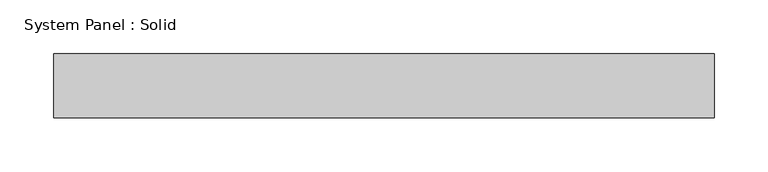
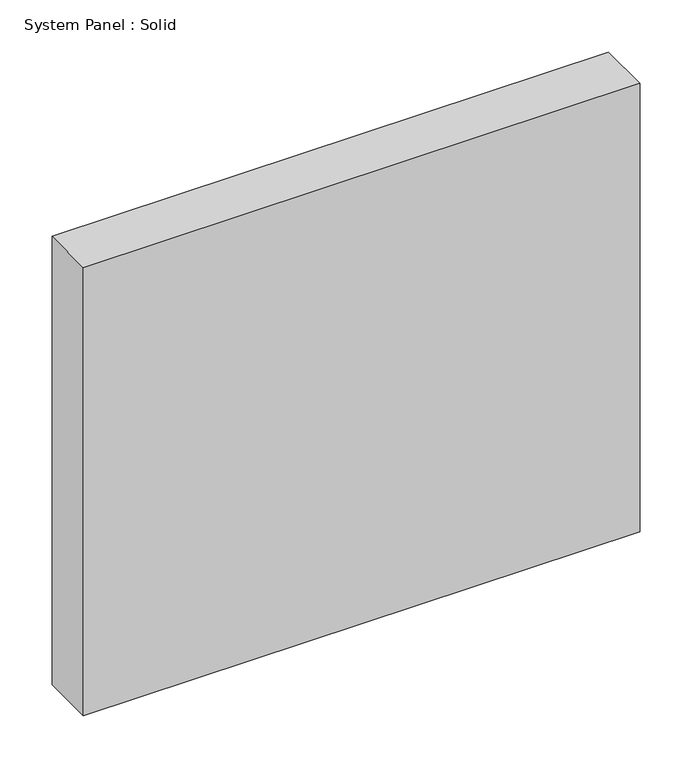
"""IFC4 building model written with IfcOpenShell, lengths in millimetres: plate geometry, System Panel : Solid."""

import ifcopenshell
import ifcopenshell.guid

model = None  # the IFC model being written
_history = None  # IfcOwnerHistory: only IFC2X3 demands one
_inside = {}  # id of a spatial element -> (the spatial element, [elements in it])
_under = {}  # id of a project, library or spatial element -> (it, [spatial elements below it])
_declared = {}  # id of a project -> (the project, [libraries it declares])
_typed = {}  # id of a type object -> (the type object, [elements of that type])
_made_of = {}  # id of a material, layer set ... -> (it, [elements and type objects made of it])


def new_model(schema):
    """Start an empty IFC model of exactly this schema.

    Asked for "IFC4X3", IfcOpenShell would pick the latest addendum, in which some entities
    have other attributes; the version numbers below select the first issue.
    IFC2X3 requires an IfcOwnerHistory on every rooted entity: one is made here for all.
    """
    global model, _history
    if schema == "IFC4X3":
        model = ifcopenshell.file(schema_version=(4, 3, 0, 0))
    else:
        model = ifcopenshell.file(schema=schema)
    _inside.clear()
    _under.clear()
    _declared.clear()
    _typed.clear()
    _made_of.clear()
    _history = None
    if model.schema == "IFC2X3":
        org = make("IfcOrganization", Name="unknown")
        user = make(
            "IfcPersonAndOrganization",
            ThePerson=make("IfcPerson", FamilyName="unknown"),
            TheOrganization=org,
        )
        app = make(
            "IfcApplication",
            ApplicationDeveloper=org,
            Version="unknown",
            ApplicationFullName="unknown",
            ApplicationIdentifier="unknown",
        )
        _history = make(
            "IfcOwnerHistory",
            OwningUser=user,
            OwningApplication=app,
            ChangeAction="ADDED",
            CreationDate=0,
        )
    return model


def make(cls, **values):
    """One entity of the class cls with the attributes given. An attribute that is None is left unset."""
    return model.create_entity(
        cls, **{name: value for name, value in values.items() if value is not None}
    )


def rooted(cls, **values):
    """An entity with a GlobalId (a new one), such as an element, a storey or a relation."""
    return make(cls, GlobalId=ifcopenshell.guid.new(), OwnerHistory=_history, **values)


def si_unit(unit_type, name, prefix=None):
    """IfcSIUnit, for example si_unit("LENGTHUNIT", "METRE", prefix="MILLI")."""
    return make("IfcSIUnit", UnitType=unit_type, Prefix=prefix, Name=name)


def assignment(units):
    """IfcUnitAssignment: the units of a project."""
    return None if units is None else make("IfcUnitAssignment", Units=units)


def point(xyz):
    """IfcCartesianPoint."""
    return None if xyz is None else make("IfcCartesianPoint", Coordinates=xyz)


def direction(xyz):
    """IfcDirection."""
    return None if xyz is None else make("IfcDirection", DirectionRatios=xyz)


def frame(location, z_axis=None, x_axis=None):
    """IfcAxis2Placement3D, a coordinate frame: its origin and axes. An axis left out is left unset."""
    return make(
        "IfcAxis2Placement3D",
        Location=point(location),
        Axis=direction(z_axis),
        RefDirection=direction(x_axis),
    )


def origin():
    """The frame at (0, 0, 0) with its axes left unset."""
    return frame((0.0, 0.0, 0.0))


def origin_with_axes():
    """The frame at (0, 0, 0) with the z axis (0, 0, 1) and the x axis (1, 0, 0) written out."""
    return frame((0.0, 0.0, 0.0), z_axis=(0.0, 0.0, 1.0), x_axis=(1.0, 0.0, 0.0))


def place(relative_to, where):
    """IfcLocalPlacement: puts the frame where relative to a parent placement (None: the world)."""
    return make(
        "IfcLocalPlacement", PlacementRelTo=relative_to, RelativePlacement=where
    )


def context(
    kind, dimensions, precision=None, world=None, true_north=None, identifier=None
):
    """IfcGeometricRepresentationContext, for example the 3D "Model" context."""
    return make(
        "IfcGeometricRepresentationContext",
        ContextIdentifier=identifier,
        ContextType=kind,
        CoordinateSpaceDimension=dimensions,
        Precision=precision,
        WorldCoordinateSystem=world,
        TrueNorth=true_north,
    )


def project(units=None, contexts=None):
    """IfcProject with its units and contexts."""
    return rooted(
        "IfcProject",
        Name="project",
        RepresentationContexts=contexts,
        UnitsInContext=assignment(units),
    )


def spatial(cls, under=None, at=None, **own):
    """A site, building, storey or space (cls), placed at a placement, below another one or the project."""
    s = rooted(cls, ObjectPlacement=at, **own)
    if under is not None:
        _under.setdefault(under.id(), (under, []))[1].append(s)
    return s


def polyline(points):
    """IfcPolyline through the points."""
    return make("IfcPolyline", Points=[point(p) for p in points])


def outline(outer, holes=None, kind="AREA"):
    """IfcArbitraryClosedProfileDef: a profile drawn as a closed curve; with holes, ...WithVoids."""
    if holes is None:
        return make("IfcArbitraryClosedProfileDef", ProfileType=kind, OuterCurve=outer)
    return make(
        "IfcArbitraryProfileDefWithVoids",
        ProfileType=kind,
        OuterCurve=outer,
        InnerCurves=holes,
    )


def extrude(swept, where, along, depth):
    """IfcExtrudedAreaSolid: the profile swept, set in the frame where, extruded along a direction by depth."""
    return make(
        "IfcExtrudedAreaSolid",
        SweptArea=swept,
        Position=where,
        ExtrudedDirection=direction(along),
        Depth=depth,
    )


def shape(context_of_items, identifier, shape_type, items):
    """IfcShapeRepresentation: the items that make up one representation, for example the "Body"."""
    return make(
        "IfcShapeRepresentation",
        ContextOfItems=context_of_items,
        RepresentationIdentifier=identifier,
        RepresentationType=shape_type,
        Items=items,
    )


def source(mapping_origin, context_of_items, identifier, shape_type, items):
    """IfcRepresentationMap: a shape defined once, which mapped items show again and again."""
    return make(
        "IfcRepresentationMap",
        MappingOrigin=mapping_origin,
        MappedRepresentation=shape(context_of_items, identifier, shape_type, items),
    )


def transform(
    local_origin,
    x_axis=None,
    y_axis=None,
    z_axis=None,
    scale=None,
    scale2=None,
    scale3=None,
    uniform=True,
):
    """IfcCartesianTransformationOperator3D, or its non-uniform kind. x_axis, y_axis, z_axis: its Axis1, 2, 3."""
    if uniform:
        return make(
            "IfcCartesianTransformationOperator3D",
            Axis1=direction(x_axis),
            Axis2=direction(y_axis),
            LocalOrigin=point(local_origin),
            Scale=scale,
            Axis3=direction(z_axis),
        )
    return make(
        "IfcCartesianTransformationOperator3DnonUniform",
        Axis1=direction(x_axis),
        Axis2=direction(y_axis),
        LocalOrigin=point(local_origin),
        Scale=scale,
        Axis3=direction(z_axis),
        Scale2=scale2,
        Scale3=scale3,
    )


def mapped(mapping_source, mapping_target):
    """IfcMappedItem: shows the shape of a source again, moved by a transform."""
    return make(
        "IfcMappedItem", MappingSource=mapping_source, MappingTarget=mapping_target
    )


def made_of(thing, what):
    """Note that an element or type object is made of a material, layer set ...; save() writes the relation."""
    if what is not None:
        _made_of.setdefault(what.id(), (what, []))[1].append(thing)
    return thing


def element(
    cls,
    number,
    at=None,
    inside=None,
    cuts=None,
    type_object=None,
    material=None,
    context=None,
    identifier="Body",
    shape_type=None,
    held_by="IfcProductDefinitionShape",
    body=None,
    shapes=None,
    **own,
):
    """One element of the class cls, such as IfcWall. Its Tag is "e" and its number.

    at: its placement. inside: the storey or other place that contains it. cuts: it is an
    opening in that element (IfcRelVoidsElement). A single representation is given by context,
    identifier, shape_type and body (its items); several are given by shapes. held_by: the class
    of the entity that holds the representations. save() writes the other relations.
    """
    e = rooted(cls, Tag="e%d" % number, ObjectPlacement=at, **own)
    if body is not None:
        shapes = [shape(context, identifier, shape_type, body)]
    if shapes is not None:
        e.Representation = make(held_by, Representations=shapes)
    if inside is not None:
        _inside.setdefault(inside.id(), (inside, []))[1].append(e)
    if cuts is not None:
        rooted(
            "IfcRelVoidsElement", RelatingBuildingElement=cuts, RelatedOpeningElement=e
        )
    if type_object is not None:
        _typed.setdefault(type_object.id(), (type_object, []))[1].append(e)
    return made_of(e, material)


def aggregate(whole, parts):
    """IfcRelAggregates: a whole, such as a stair, and the parts it consists of."""
    return rooted("IfcRelAggregates", RelatingObject=whole, RelatedObjects=parts)


def save(model, path):
    """Write the relations noted so far, then the file.

    IfcRelAggregates (storeys below a building ...), IfcRelContainedInSpatialStructure (elements
    in a storey), IfcRelDefinesByType, IfcRelAssociatesMaterial and IfcRelDeclares: one each for
    every whole, place, type object, material and project.
    """
    for whole, parts in _under.values():
        aggregate(whole, parts)
    for where, things in _inside.values():
        rooted(
            "IfcRelContainedInSpatialStructure",
            RelatedElements=things,
            RelatingStructure=where,
        )
    for kind, things in _typed.values():
        rooted("IfcRelDefinesByType", RelatedObjects=things, RelatingType=kind)
    for what, things in _made_of.values():
        rooted("IfcRelAssociatesMaterial", RelatedObjects=things, RelatingMaterial=what)
    for by, libraries in _declared.values():
        rooted("IfcRelDeclares", RelatingContext=by, RelatedDefinitions=libraries)
    model.write(path)


def system_panel_solid_a95b17ed(model_context):
    return source(origin(), model_context, "Body", "SweptSolid", [
        extrude(outline(polyline([(308.3333333, -49.5), (-308.3333333, -49.5), (-308.3333333, 10.5), (308.3333333, 10.5), (308.3333333, -49.5)])), origin_with_axes(), (0.0, 0.0, 1.0), 525.0),
    ])


if __name__ == "__main__":
    model = new_model("IFC4")
    model_context = context("Model", 3, world=origin())
    ifc_project = project(units=[si_unit("LENGTHUNIT", "METRE", prefix="MILLI")], contexts=[model_context])
    site = spatial("IfcSite", under=ifc_project)
    building = spatial("IfcBuilding", under=site)
    placement = place(None, origin())
    system_panel_solid_shape = system_panel_solid_a95b17ed(model_context)
    element("IfcPlate", 1, ObjectType="System Panel : Solid", at=placement, inside=building, context=model_context, shape_type="MappedRepresentation", body=[
        mapped(system_panel_solid_shape, transform((0.0, 0.0, 0.0), x_axis=(1.0, 0.0, 0.0), y_axis=(0.0, 1.0, 0.0), z_axis=(0.0, 0.0, 1.0))),
    ])
    save(model, "model.ifc")
